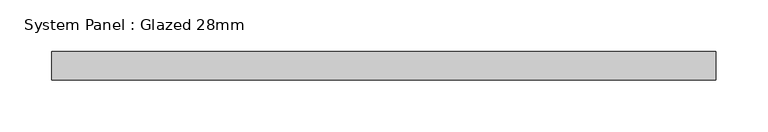
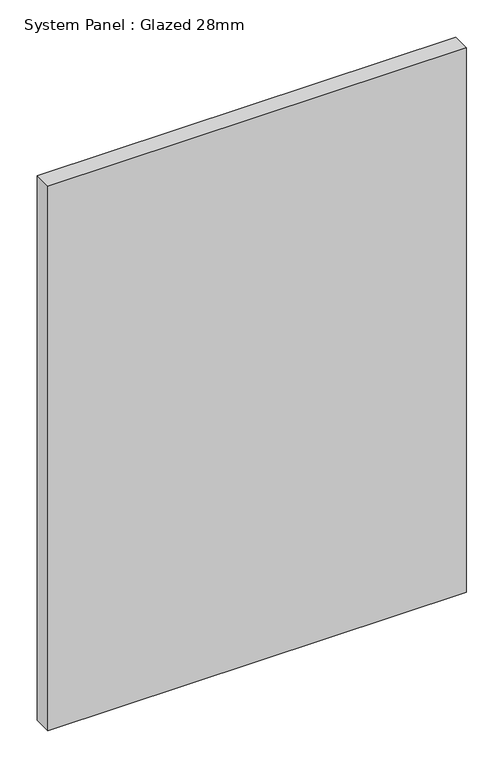
"""IFC4 building model written with IfcOpenShell, lengths in millimetres: plate geometry, System Panel : Glazed 28mm."""

from ifc_helpers import new_model, si_unit, origin, origin_with_axes, place, context, project, spatial, polyline, outline, extrude, source, transform, mapped, element, save


def system_panel_glazed_28mm_00d56600(model_context):
    return source(origin(), model_context, "Body", "SweptSolid", [
        extrude(outline(polyline([(322.5993924, -14.0), (-322.5993924, -14.0), (-322.5993924, 14.0), (322.5993924, 14.0), (322.5993924, -14.0)])), origin_with_axes(), (0.0, 0.0, 1.0), 887.7030894),
    ])


if __name__ == "__main__":
    model = new_model("IFC4")
    model_context = context("Model", 3, world=origin())
    ifc_project = project(units=[si_unit("LENGTHUNIT", "METRE", prefix="MILLI")], contexts=[model_context])
    site = spatial("IfcSite", under=ifc_project)
    building = spatial("IfcBuilding", under=site)
    placement = place(None, origin())
    system_panel_glazed_28mm_shape = system_panel_glazed_28mm_00d56600(model_context)
    element("IfcPlate", 1, ObjectType="System Panel : Glazed 28mm", at=placement, inside=building, context=model_context, shape_type="MappedRepresentation", body=[
        mapped(system_panel_glazed_28mm_shape, transform((0.0, 0.0, 0.0), x_axis=(1.0, 0.0, 0.0), y_axis=(0.0, 1.0, 0.0), z_axis=(0.0, 0.0, 1.0))),
    ])
    save(model, "model.ifc")
